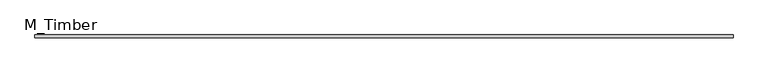
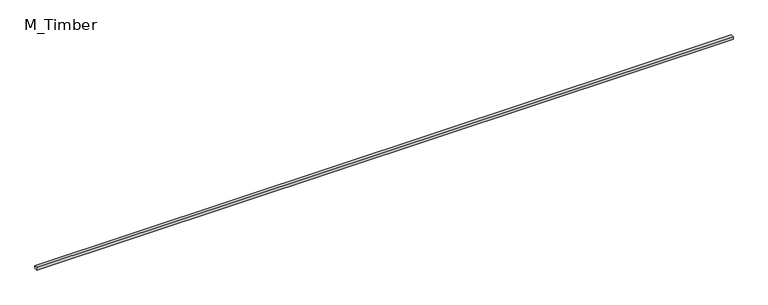
"""IFC4 building model written with IfcOpenShell, lengths in millimetres: beam geometry, M_Timber."""

from ifc_helpers import new_model, si_unit, frame, origin, place, context, project, spatial, polyline, outline, extrude, source, transform, mapped, element, save


def m_timber_007ac032(model_context):
    return source(origin(), model_context, "Body", "SweptSolid", [
        extrude(outline(polyline([(4664.5645191, 20.0), (4664.5645191, -20.0), (-4664.5645191, -20.0), (-4664.5645191, 20.0), (4664.5645191, 20.0)])), frame((0.0, 0.0, -20.0), z_axis=(0.0, 0.0, 1.0), x_axis=(1.0, 0.0, 0.0)), (0.0, 0.0, 1.0), 40.0),
    ])


if __name__ == "__main__":
    model = new_model("IFC4")
    model_context = context("Model", 3, world=origin())
    ifc_project = project(units=[si_unit("LENGTHUNIT", "METRE", prefix="MILLI")], contexts=[model_context])
    site = spatial("IfcSite", under=ifc_project)
    building = spatial("IfcBuilding", under=site)
    placement = place(None, origin())
    m_timber_shape = m_timber_007ac032(model_context)
    element("IfcBeam", 1, ObjectType="M_Timber", at=placement, inside=building, context=model_context, shape_type="MappedRepresentation", body=[
        mapped(m_timber_shape, transform((0.0, 0.0, 0.0), x_axis=(1.0, 0.0, 0.0), y_axis=(0.0, 1.0, 0.0), z_axis=(0.0, 0.0, 1.0))),
    ])
    save(model, "model.ifc")
